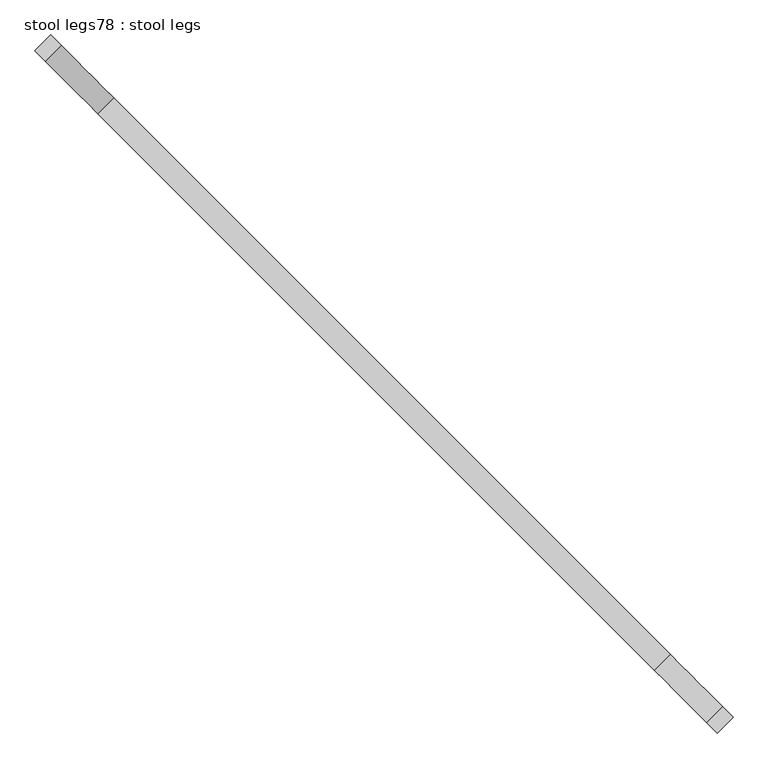
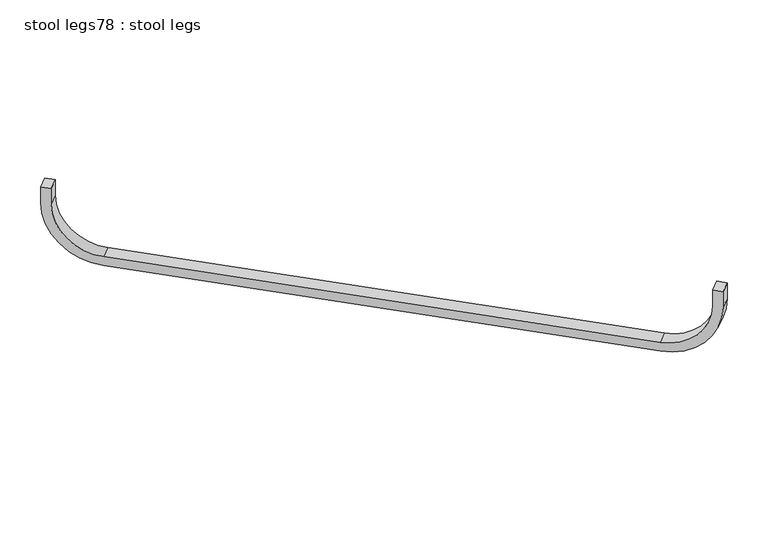
"""IFC4 building model written with IfcOpenShell, lengths in millimetres: furniture geometry, stool legs78 : stool legs."""

from ifc_helpers import new_model, si_unit, point, frame, frame_2d, origin, place, context, project, spatial, polyline, circle_curve, trimmed, segment, composite_curve, outline, extrude, source, transform, mapped, element, save


def stool_legs78_stool_legs_18dcec52(model_context):
    return source(origin(), model_context, "Body", "SweptSolid", [
        extrude(outline(composite_curve([segment(polyline([(0.0, 254.0), (-44.45, 254.0), (-44.45, 279.4000001), (0.0, 279.4000001)]), True, "CONTINUOUS"), segment(trimmed(circle_curve(frame_2d((0.0, 127.0000001)), 152.4), [point((0.0, 279.4000001))], [point((152.4, 127.0000001))], False, "CARTESIAN"), True, "CONTINUOUS"), segment(polyline([(152.4, 127.0000001), (152.4, -1219.2)]), True, "CONTINUOUS"), segment(trimmed(circle_curve(frame_2d((0.0, -1219.2)), 152.4), [point((152.4, -1219.2))], [point((0.0, -1371.6))], False, "CARTESIAN"), True, "CONTINUOUS"), segment(polyline([(0.0, -1371.6), (-44.45, -1371.6), (-44.45, -1346.2), (0.0, -1346.2)]), True, "CONTINUOUS"), segment(trimmed(circle_curve(frame_2d((0.0, -1219.2)), 127.0), [point((0.0, -1346.2))], [point((127.0, -1219.2))], True, "CARTESIAN"), True, "CONTINUOUS"), segment(polyline([(127.0, -1219.2), (127.0, 127.0000001)]), True, "CONTINUOUS"), segment(trimmed(circle_curve(frame_2d((0.0, 127.0000001)), 127.0), [point((127.0, 127.0000001))], [point((0.0, 254.0))], True, "CARTESIAN"), True, "CONTINUOUS")], self_intersect=False)), frame((-123410.1057267, -65345.4685021, 412.75), z_axis=(0.7071067811865757, 0.7071067811865194, 0.0), x_axis=(0.0, 0.0, -1.0)), (0.0, 0.0, 1.0), 38.1),
    ])


if __name__ == "__main__":
    model = new_model("IFC4")
    model_context = context("Model", 3, world=origin())
    ifc_project = project(units=[si_unit("LENGTHUNIT", "METRE", prefix="MILLI")], contexts=[model_context])
    site = spatial("IfcSite", under=ifc_project)
    building = spatial("IfcBuilding", under=site)
    placement = place(None, origin())
    stool_legs78_stool_legs_shape = stool_legs78_stool_legs_18dcec52(model_context)
    element("IfcFurniture", 1, ObjectType="stool legs78 : stool legs", at=placement, inside=building, context=model_context, shape_type="MappedRepresentation", body=[
        mapped(stool_legs78_stool_legs_shape, transform((0.0, 0.0, 0.0), x_axis=(1.0, 0.0, 0.0), y_axis=(0.0, 1.0, 0.0), z_axis=(0.0, 0.0, 1.0))),
    ])
    save(model, "model.ifc")
